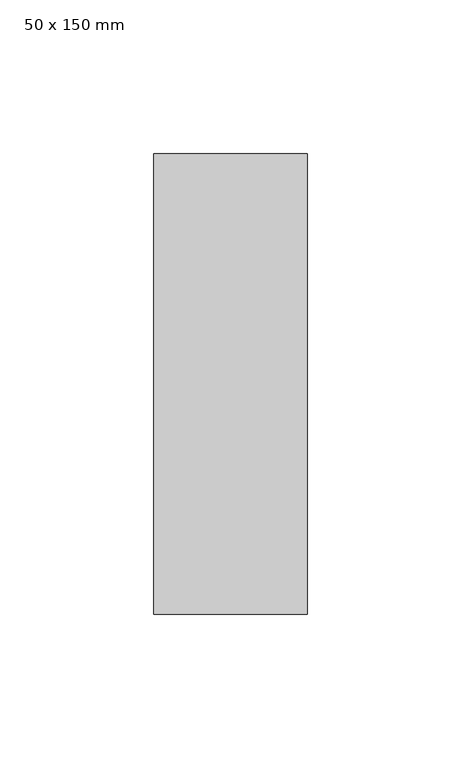
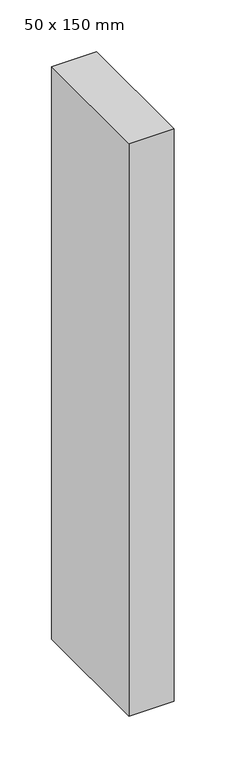
"""IFC4 building model written with IfcOpenShell, lengths in millimetres: member geometry, 50 x 150 mm."""

from ifc_helpers import new_model, si_unit, frame, origin, place, context, project, spatial, polyline, outline, extrude, source, transform, mapped, element, save


def member_50_x_150_mm_dbb82e9e(model_context):
    return source(origin(), model_context, "Body", "SweptSolid", [
        extrude(outline(polyline([(0.0, 75.0), (0.0, -75.0), (-50.0, -75.0), (-50.0, 75.0), (0.0, 75.0)])), frame((0.0, 0.0, -675.0), z_axis=(0.0, 0.0, 1.0), x_axis=(1.0, 0.0, 0.0)), (0.0, 0.0, 1.0), 675.0),
    ])


if __name__ == "__main__":
    model = new_model("IFC4")
    model_context = context("Model", 3, world=origin())
    ifc_project = project(units=[si_unit("LENGTHUNIT", "METRE", prefix="MILLI")], contexts=[model_context])
    site = spatial("IfcSite", under=ifc_project)
    building = spatial("IfcBuilding", under=site)
    placement = place(None, origin())
    member_50_x_150_mm_shape = member_50_x_150_mm_dbb82e9e(model_context)
    element("IfcMember", 1, ObjectType="50 x 150 mm", at=placement, inside=building, context=model_context, shape_type="MappedRepresentation", body=[
        mapped(member_50_x_150_mm_shape, transform((0.0, 0.0, 0.0), x_axis=(1.0, 0.0, 0.0), y_axis=(0.0, 1.0, 0.0), z_axis=(0.0, 0.0, 1.0))),
    ])
    save(model, "model.ifc")
